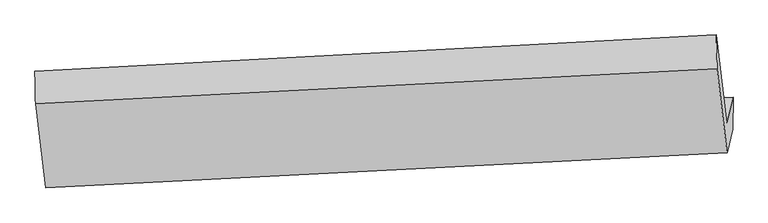
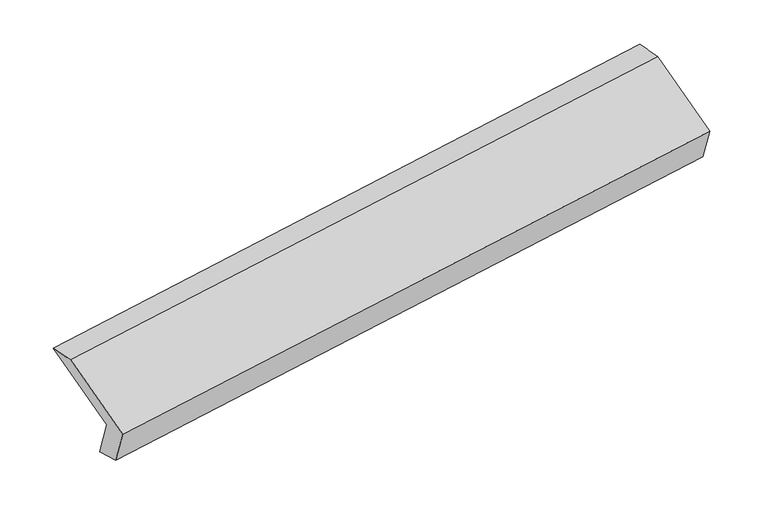
"""IFC4 building model written with IfcOpenShell, lengths in millimetres: proxy geometry."""

from ifc_helpers import new_model, si_unit, frame, origin, place, context, project, spatial, source, transform, mapped, element, save
from ifc_brep_helpers import plane_surface, spline_surface, advanced_brep


def generic_models_80fa1346(model_context):
    return source(origin(), model_context, "Body", "AdvancedBrep", [
        advanced_brep(
        [(-5164.7296767, -1604.5570831, 1228.5259315), (-5207.3044759, -1776.1821115, 1569.5599904), (-498.2751446, -1534.5948845, 2267.7509099), (-454.5920624, -1358.5022111, 1917.8392467), (-5163.4558868, -1816.4776488, 1286.4689848), (-455.5348384, -1579.3580667, 1993.5375086), (-5204.9224031, -1983.6350323, 1618.6254394), (-495.8930718, -1742.0478052, 2316.8163589), (-5273.8759158, -1404.0105203, 1901.7126821), (-564.8465845, -1162.4232932, 2599.9036016), (-5278.3837712, -1178.6882321, 1861.3745899), (-570.4173311, -928.1663213, 2563.9291878)],
        [
            (0, 1),
            (1, 2),
            (2, 3),
            (3, 0),
            (4, 0),
            (3, 5),
            (5, 4),
            (6, 4),
            (5, 7),
            (7, 6),
            (8, 6),
            (7, 9),
            (9, 8),
            (10, 8),
            (9, 11),
            (11, 10),
            (1, 10),
            (11, 2),
        ],
        [
            plane_surface(frame((-5186.0170763, -1690.3695973, 1399.042961), z_axis=(-0.11043426827920765, 0.8932675075376779, 0.43574927695529314), x_axis=(-0.11082829121804079, -0.44676449369308485, 0.887760427728591))),
            spline_surface(1, 1, [[(-5163.4558868, -1816.4776488, 1286.4689848), (-455.5348384, -1579.3580667, 1993.5375086)], [(-5164.7296767, -1604.5570831, 1228.5259315), (-454.5920624, -1358.5022111, 1917.8392467)]], [2, 2], [2, 2], [0.0, 1.0], [0.0, 1.0]),
            plane_surface(frame((-5184.1891449, -1900.0563406, 1452.5472121), z_axis=(0.1104342682791969, -0.8932675075377015, -0.43574927695524773), x_axis=(0.11082829121808722, 0.44676449369304044, -0.8877604277286075))),
            plane_surface(frame((-5239.3991595, -1693.8227763, 1760.1690608), z_axis=(-0.10875499455197185, -0.446667010990988, 0.8880658379041373), x_axis=(0.10628912573137943, -0.8934683701398176, -0.43636784174702536))),
            spline_surface(1, 1, [[(-5278.3837712, -1178.6882321, 1861.3745899), (-570.4173311, -928.1663213, 2563.9291878)], [(-5273.8759158, -1404.0105203, 1901.7126821), (-564.8465845, -1162.4232932, 2599.9036016)]], [2, 2], [2, 2], [0.0, 1.0], [0.0, 1.0]),
            plane_surface(frame((-5242.8441235, -1477.4351718, 1715.4672902), z_axis=(0.10875499455197093, 0.44666701099098083, -0.8880658379041408), x_axis=(-0.10628912573138027, 0.893468370139821, 0.43636784174701804))),
            plane_surface(frame((-506.5931721, -1384.182097, 2276.6294689), z_axis=(0.9881395203193409, 0.04599737747884161, 0.1465077801624611), x_axis=(0.10628912573137943, -0.8934683701398176, -0.43636784174702536))),
            plane_surface(frame((-5215.4453549, -1627.258438, 1577.7112697), z_axis=(-0.9881395203193428, -0.04599737747894947, -0.1465077801624148), x_axis=(0.11082829121799262, 0.4467644936930883, -0.8877604277285953))),
        ],
        [
            (0, [[1, 2, 3, 4]]),
            (1, [[5, -4, 6, 7]]),
            (2, [[8, -7, 9, 10]]),
            (3, [[11, -10, 12, 13]]),
            (4, [[14, -13, 15, 16]]),
            (5, [[17, -16, 18, -2]]),
            (6, [[-12, -9, -6, -3, -18, -15]]),
            (7, [[-1, -5, -8, -11, -14, -17]]),
        ],
    ),
    ])


if __name__ == "__main__":
    model = new_model("IFC4")
    model_context = context("Model", 3, world=origin())
    ifc_project = project(units=[si_unit("LENGTHUNIT", "METRE", prefix="MILLI")], contexts=[model_context])
    site = spatial("IfcSite", under=ifc_project)
    building = spatial("IfcBuilding", under=site)
    placement = place(None, origin())
    generic_models_shape = generic_models_80fa1346(model_context)
    element("IfcBuildingElementProxy", 1, Name="Generic Models", at=placement, inside=building, context=model_context, shape_type="MappedRepresentation", body=[
        mapped(generic_models_shape, transform((0.0, 0.0, 0.0), x_axis=(1.0, 0.0, 0.0), y_axis=(0.0, 1.0, 0.0), z_axis=(0.0, 0.0, 1.0))),
    ])
    save(model, "model.ifc")
